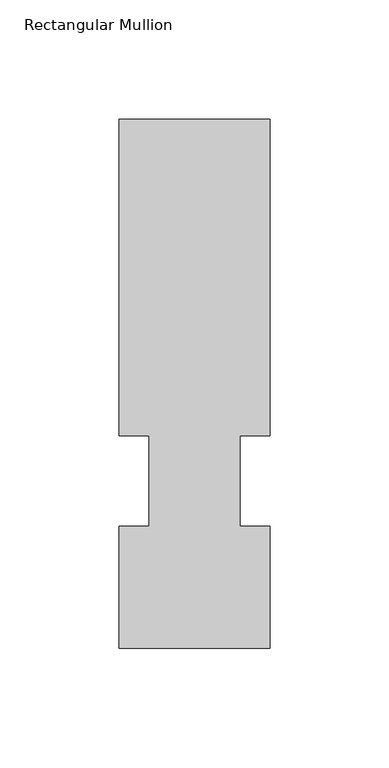
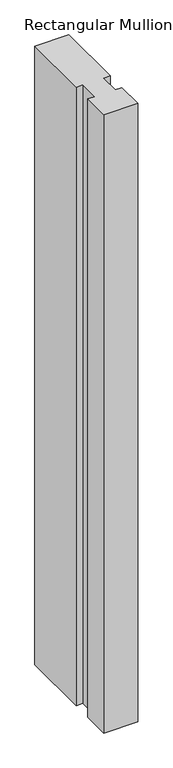
"""IFC4 building model written with IfcOpenShell, lengths in millimetres: member geometry, Rectangular Mullion."""

from ifc_helpers import new_model, si_unit, frame, origin, place, context, project, spatial, polyline, outline, extrude, source, transform, mapped, element, save


def rectangular_mullion_7e28f6e4(model_context):
    return source(origin(), model_context, "Body", "SweptSolid", [
        extrude(outline(polyline([(-31.7500004, 222.5381312), (31.7499996, 222.5381312), (31.7499996, 89.5945313), (19.05, 89.5945313), (19.05, 51.4945313), (31.7499999, 51.4945313), (31.7499999, 0.2119313), (-31.7500001, 0.2119313), (-31.7500001, 51.4945313), (-19.0500001, 51.4945313), (-19.0500001, 89.5945313), (-31.7500004, 89.5945313), (-31.7500004, 222.5381312)])), frame((0.0, 0.0, -1219.2), z_axis=(0.0, 0.0, 1.0), x_axis=(1.0, 0.0, 0.0)), (0.0, 0.0, 1.0), 1219.2),
    ])


if __name__ == "__main__":
    model = new_model("IFC4")
    model_context = context("Model", 3, world=origin())
    ifc_project = project(units=[si_unit("LENGTHUNIT", "METRE", prefix="MILLI")], contexts=[model_context])
    site = spatial("IfcSite", under=ifc_project)
    building = spatial("IfcBuilding", under=site)
    placement = place(None, origin())
    rectangular_mullion_shape = rectangular_mullion_7e28f6e4(model_context)
    element("IfcMember", 1, ObjectType="Rectangular Mullion", at=placement, inside=building, context=model_context, shape_type="MappedRepresentation", body=[
        mapped(rectangular_mullion_shape, transform((0.0, 0.0, 0.0), x_axis=(1.0, 0.0, 0.0), y_axis=(0.0, 1.0, 0.0), z_axis=(0.0, 0.0, 1.0))),
    ])
    save(model, "model.ifc")
